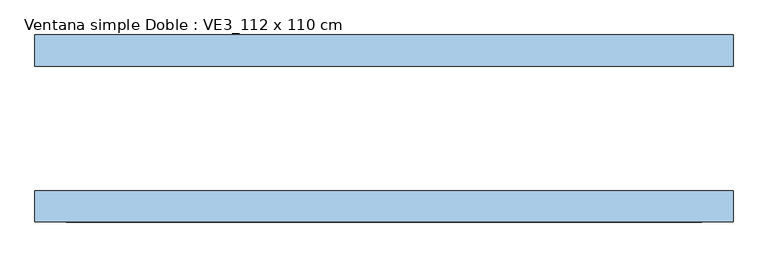
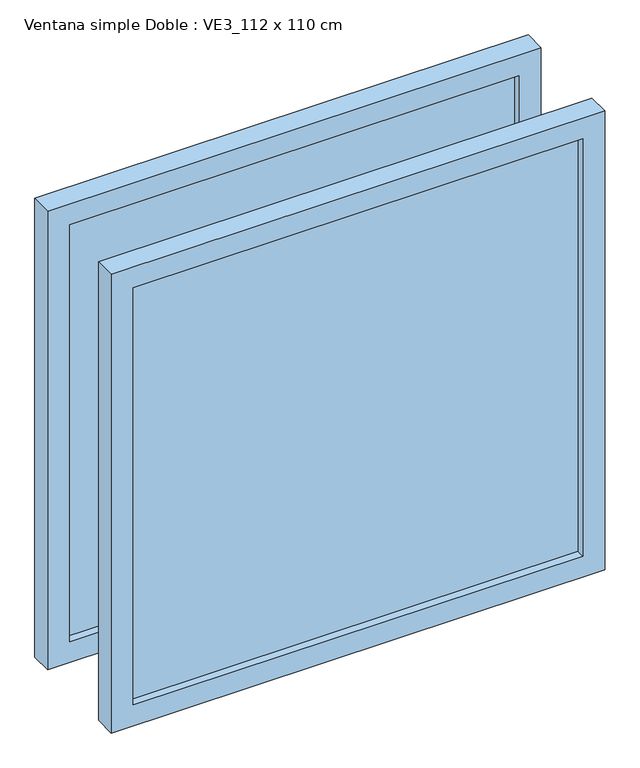
"""IFC4 building model written with IfcOpenShell, lengths in millimetres: window geometry, Ventana simple Doble : VE3_112 x 110 cm."""

from ifc_helpers import new_model, si_unit, frame, origin, place, context, project, spatial, polyline, outline, extrude, source, transform, mapped, element, save


def ventana_simple_doble_ve3_112_x_110_cm_4a2efafb(model_context):
    return source(origin(), model_context, "Body", "SweptSolid", [
        extrude(outline(polyline([(510.0, -131.5), (-510.0, -131.5), (-510.0, -118.5), (510.0, -118.5), (510.0, -131.5)])), frame((0.0, 0.0, 850.0), z_axis=(0.0, 0.0, 1.0), x_axis=(1.0, 0.0, 0.0)), (0.0, 0.0, 1.0), 1000.0),
        extrude(outline(polyline([(800.0, 560.0), (1900.0, 560.0), (1900.0, -560.0), (800.0, -560.0), (800.0, 560.0)]), holes=[polyline([(1850.0, 510.0), (850.0, 510.0), (850.0, -510.0), (1850.0, -510.0), (1850.0, 510.0)])]), frame((0.0, -150.0, 0.0), z_axis=(0.0, 1.0, 0.0), x_axis=(0.0, 0.0, 1.0)), (0.0, 0.0, 1.0), 50.0),
        extrude(outline(polyline([(510.0, 131.5), (510.0, 118.5), (-510.0, 118.5), (-510.0, 131.5), (510.0, 131.5)])), frame((0.0, 0.0, 850.0), z_axis=(0.0, 0.0, 1.0), x_axis=(1.0, 0.0, 0.0)), (0.0, 0.0, 1.0), 1000.0),
        extrude(outline(polyline([(1900.0, 560.0), (1900.0, -560.0), (800.0, -560.0), (800.0, 560.0), (1900.0, 560.0)]), holes=[polyline([(850.0, 510.0), (850.0, -510.0), (1850.0, -510.0), (1850.0, 510.0), (850.0, 510.0)])]), frame((0.0, 100.0, 0.0), z_axis=(0.0, 1.0, 0.0), x_axis=(0.0, 0.0, 1.0)), (0.0, 0.0, 1.0), 50.0),
    ])


if __name__ == "__main__":
    model = new_model("IFC4")
    model_context = context("Model", 3, world=origin())
    ifc_project = project(units=[si_unit("LENGTHUNIT", "METRE", prefix="MILLI")], contexts=[model_context])
    site = spatial("IfcSite", under=ifc_project)
    building = spatial("IfcBuilding", under=site)
    placement = place(None, origin())
    ventana_simple_doble_ve3_112_x_110_cm_shape = ventana_simple_doble_ve3_112_x_110_cm_4a2efafb(model_context)
    element("IfcWindow", 1, ObjectType="Ventana simple Doble : VE3_112 x 110 cm", at=placement, inside=building, context=model_context, shape_type="MappedRepresentation", body=[
        mapped(ventana_simple_doble_ve3_112_x_110_cm_shape, transform((0.0, 0.0, 0.0), x_axis=(1.0, 0.0, 0.0), y_axis=(0.0, 1.0, 0.0), z_axis=(0.0, 0.0, 1.0))),
    ])
    save(model, "model.ifc")
